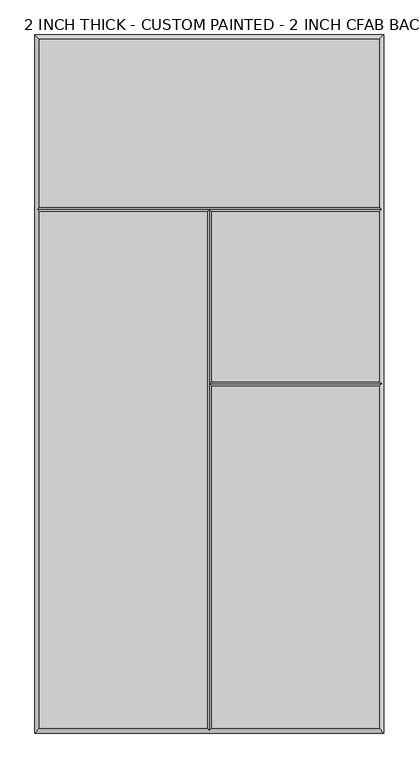
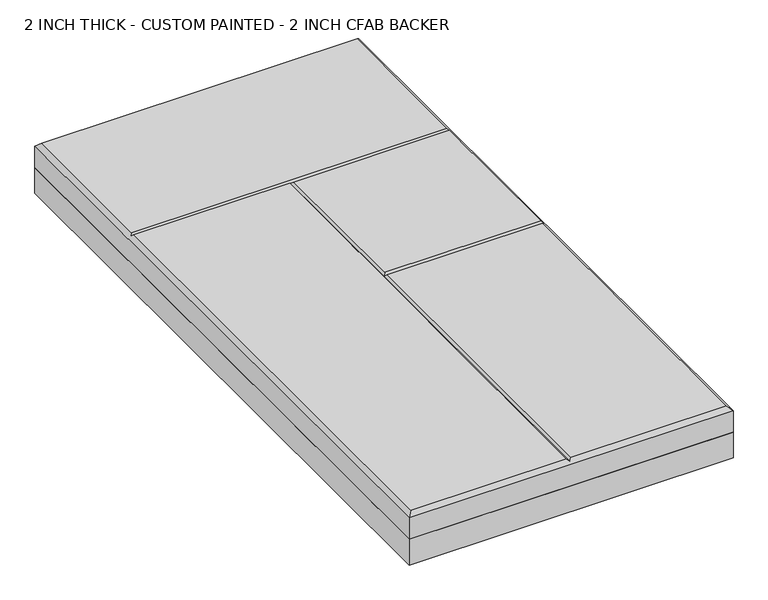
"""IFC4 building model written with IfcOpenShell, lengths in millimetres: proxy geometry, 2 INCH THICK - CUSTOM PAINTED - 2 INCH CFAB BACKER."""

from ifc_helpers import new_model, si_unit, frame, origin, place, context, project, spatial, polyline, outline, extrude, faceted_brep, source, transform, mapped, element, save


def proxy_2_inch_thick_custom_painted_2_inch_cfab_backer_adc528dd(model_context):
    return source(origin(), model_context, "Body", "SolidModel", [
        extrude(outline(polyline([(-304.8, 609.6), (304.8, 609.6), (304.8, -609.6), (-304.8, -609.6), (-304.8, 609.6)])), frame((0.0, 0.0, -50.8), z_axis=(0.0, 0.0, 1.0), x_axis=(1.0, 0.0, 0.0)), (0.0, 0.0, 1.0), 50.8),
        faceted_brep([(296.799, 601.599, 50.8), (-296.799, 601.599, 50.8), (-296.799, 308.8005, 50.8), (296.799, 308.8005, 50.8), (-296.799, 300.7995, 50.8), (-296.799, -601.599, 50.8), (-4.0005, -601.599, 50.8), (-4.0005, 300.7995, 50.8), (4.0005, -601.599, 50.8), (296.799, -601.599, 50.8), (296.799, -4.0005, 50.8), (4.0005, -4.0005, 50.8), (296.799, 300.7995, 50.8), (4.0005, 300.7995, 50.8), (4.0005, 4.0005, 50.8), (296.799, 4.0005, 50.8), (-304.8, 609.6, 0.0), (304.8, 609.6, 0.0), (304.8, -609.6, 0.0), (-304.8, -609.6, 0.0), (-304.8, -609.6, 42.799), (-304.8, 609.6, 42.799), (304.8, -609.6, 42.799), (304.8, 609.6, 42.799), (-300.7995, 304.8, 46.7995), (0.0, -605.5995, 46.7995), (300.7995, 304.8, 46.7995), (300.7995, 0.0, 46.7995), (0.0, 304.8, 46.7995), (0.0, 0.0, 46.7995)], [[[0, 1, 2, 3]], [[4, 5, 6, 7]], [[8, 9, 10, 11]], [[12, 13, 14, 15]], [[16, 17, 18, 19]], [[16, 19, 20, 21]], [[19, 18, 22, 20]], [[18, 17, 23, 22]], [[17, 16, 21, 23]], [[21, 1, 0, 23]], [[1, 21, 20, 5, 4, 24, 2]], [[5, 20, 22, 9, 8, 25, 6]], [[23, 0, 3, 26, 12, 15, 27, 10, 9, 22]], [[24, 4, 7, 28]], [[12, 26, 28, 13]], [[3, 2, 24, 28, 26]], [[25, 8, 11, 29]], [[13, 28, 29, 14]], [[7, 6, 25, 29, 28]], [[27, 29, 11, 10]], [[29, 27, 15, 14]]]),
    ])


if __name__ == "__main__":
    model = new_model("IFC4")
    model_context = context("Model", 3, world=origin())
    ifc_project = project(units=[si_unit("LENGTHUNIT", "METRE", prefix="MILLI")], contexts=[model_context])
    site = spatial("IfcSite", under=ifc_project)
    building = spatial("IfcBuilding", under=site)
    placement = place(None, origin())
    proxy_2_inch_thick_custom_painted_2_inch_cfab_backer_shape = proxy_2_inch_thick_custom_painted_2_inch_cfab_backer_adc528dd(model_context)
    element("IfcBuildingElementProxy", 1, Name="2 INCH THICK - CUSTOM PAINTED - 2 INCH CFAB BACKER", ObjectType="2 INCH THICK - CUSTOM PAINTED - 2 INCH CFAB BACKER", at=placement, inside=building, context=model_context, shape_type="MappedRepresentation", body=[
        mapped(proxy_2_inch_thick_custom_painted_2_inch_cfab_backer_shape, transform((0.0, 0.0, 0.0), x_axis=(1.0, 0.0, 0.0), y_axis=(0.0, 1.0, 0.0), z_axis=(0.0, 0.0, 1.0))),
    ])
    save(model, "model.ifc")
